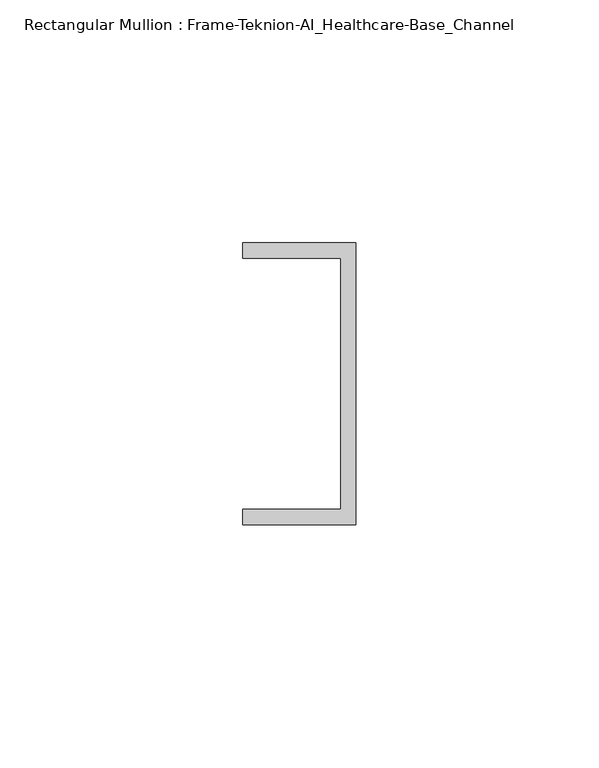
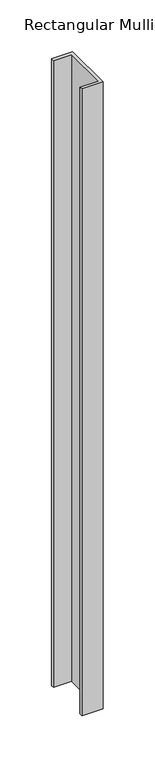
"""IFC4 building model written with IfcOpenShell, lengths in millimetres: member geometry, Rectangular Mullion : Frame-Teknion-AI_Healthcare-Base_Channel."""

import ifcopenshell
import ifcopenshell.guid

model = None  # the IFC model being written
_history = None  # IfcOwnerHistory: only IFC2X3 demands one
_inside = {}  # id of a spatial element -> (the spatial element, [elements in it])
_under = {}  # id of a project, library or spatial element -> (it, [spatial elements below it])
_declared = {}  # id of a project -> (the project, [libraries it declares])
_typed = {}  # id of a type object -> (the type object, [elements of that type])
_made_of = {}  # id of a material, layer set ... -> (it, [elements and type objects made of it])


def new_model(schema):
    """Start an empty IFC model of exactly this schema.

    Asked for "IFC4X3", IfcOpenShell would pick the latest addendum, in which some entities
    have other attributes; the version numbers below select the first issue.
    IFC2X3 requires an IfcOwnerHistory on every rooted entity: one is made here for all.
    """
    global model, _history
    if schema == "IFC4X3":
        model = ifcopenshell.file(schema_version=(4, 3, 0, 0))
    else:
        model = ifcopenshell.file(schema=schema)
    _inside.clear()
    _under.clear()
    _declared.clear()
    _typed.clear()
    _made_of.clear()
    _history = None
    if model.schema == "IFC2X3":
        org = make("IfcOrganization", Name="unknown")
        user = make(
            "IfcPersonAndOrganization",
            ThePerson=make("IfcPerson", FamilyName="unknown"),
            TheOrganization=org,
        )
        app = make(
            "IfcApplication",
            ApplicationDeveloper=org,
            Version="unknown",
            ApplicationFullName="unknown",
            ApplicationIdentifier="unknown",
        )
        _history = make(
            "IfcOwnerHistory",
            OwningUser=user,
            OwningApplication=app,
            ChangeAction="ADDED",
            CreationDate=0,
        )
    return model


def make(cls, **values):
    """One entity of the class cls with the attributes given. An attribute that is None is left unset."""
    return model.create_entity(
        cls, **{name: value for name, value in values.items() if value is not None}
    )


def rooted(cls, **values):
    """An entity with a GlobalId (a new one), such as an element, a storey or a relation."""
    return make(cls, GlobalId=ifcopenshell.guid.new(), OwnerHistory=_history, **values)


def si_unit(unit_type, name, prefix=None):
    """IfcSIUnit, for example si_unit("LENGTHUNIT", "METRE", prefix="MILLI")."""
    return make("IfcSIUnit", UnitType=unit_type, Prefix=prefix, Name=name)


def assignment(units):
    """IfcUnitAssignment: the units of a project."""
    return None if units is None else make("IfcUnitAssignment", Units=units)


def point(xyz):
    """IfcCartesianPoint."""
    return None if xyz is None else make("IfcCartesianPoint", Coordinates=xyz)


def direction(xyz):
    """IfcDirection."""
    return None if xyz is None else make("IfcDirection", DirectionRatios=xyz)


def frame(location, z_axis=None, x_axis=None):
    """IfcAxis2Placement3D, a coordinate frame: its origin and axes. An axis left out is left unset."""
    return make(
        "IfcAxis2Placement3D",
        Location=point(location),
        Axis=direction(z_axis),
        RefDirection=direction(x_axis),
    )


def origin():
    """The frame at (0, 0, 0) with its axes left unset."""
    return frame((0.0, 0.0, 0.0))


def place(relative_to, where):
    """IfcLocalPlacement: puts the frame where relative to a parent placement (None: the world)."""
    return make(
        "IfcLocalPlacement", PlacementRelTo=relative_to, RelativePlacement=where
    )


def context(
    kind, dimensions, precision=None, world=None, true_north=None, identifier=None
):
    """IfcGeometricRepresentationContext, for example the 3D "Model" context."""
    return make(
        "IfcGeometricRepresentationContext",
        ContextIdentifier=identifier,
        ContextType=kind,
        CoordinateSpaceDimension=dimensions,
        Precision=precision,
        WorldCoordinateSystem=world,
        TrueNorth=true_north,
    )


def project(units=None, contexts=None):
    """IfcProject with its units and contexts."""
    return rooted(
        "IfcProject",
        Name="project",
        RepresentationContexts=contexts,
        UnitsInContext=assignment(units),
    )


def spatial(cls, under=None, at=None, **own):
    """A site, building, storey or space (cls), placed at a placement, below another one or the project."""
    s = rooted(cls, ObjectPlacement=at, **own)
    if under is not None:
        _under.setdefault(under.id(), (under, []))[1].append(s)
    return s


def polyline(points):
    """IfcPolyline through the points."""
    return make("IfcPolyline", Points=[point(p) for p in points])


def outline(outer, holes=None, kind="AREA"):
    """IfcArbitraryClosedProfileDef: a profile drawn as a closed curve; with holes, ...WithVoids."""
    if holes is None:
        return make("IfcArbitraryClosedProfileDef", ProfileType=kind, OuterCurve=outer)
    return make(
        "IfcArbitraryProfileDefWithVoids",
        ProfileType=kind,
        OuterCurve=outer,
        InnerCurves=holes,
    )


def extrude(swept, where, along, depth):
    """IfcExtrudedAreaSolid: the profile swept, set in the frame where, extruded along a direction by depth."""
    return make(
        "IfcExtrudedAreaSolid",
        SweptArea=swept,
        Position=where,
        ExtrudedDirection=direction(along),
        Depth=depth,
    )


def shape(context_of_items, identifier, shape_type, items):
    """IfcShapeRepresentation: the items that make up one representation, for example the "Body"."""
    return make(
        "IfcShapeRepresentation",
        ContextOfItems=context_of_items,
        RepresentationIdentifier=identifier,
        RepresentationType=shape_type,
        Items=items,
    )


def source(mapping_origin, context_of_items, identifier, shape_type, items):
    """IfcRepresentationMap: a shape defined once, which mapped items show again and again."""
    return make(
        "IfcRepresentationMap",
        MappingOrigin=mapping_origin,
        MappedRepresentation=shape(context_of_items, identifier, shape_type, items),
    )


def transform(
    local_origin,
    x_axis=None,
    y_axis=None,
    z_axis=None,
    scale=None,
    scale2=None,
    scale3=None,
    uniform=True,
):
    """IfcCartesianTransformationOperator3D, or its non-uniform kind. x_axis, y_axis, z_axis: its Axis1, 2, 3."""
    if uniform:
        return make(
            "IfcCartesianTransformationOperator3D",
            Axis1=direction(x_axis),
            Axis2=direction(y_axis),
            LocalOrigin=point(local_origin),
            Scale=scale,
            Axis3=direction(z_axis),
        )
    return make(
        "IfcCartesianTransformationOperator3DnonUniform",
        Axis1=direction(x_axis),
        Axis2=direction(y_axis),
        LocalOrigin=point(local_origin),
        Scale=scale,
        Axis3=direction(z_axis),
        Scale2=scale2,
        Scale3=scale3,
    )


def mapped(mapping_source, mapping_target):
    """IfcMappedItem: shows the shape of a source again, moved by a transform."""
    return make(
        "IfcMappedItem", MappingSource=mapping_source, MappingTarget=mapping_target
    )


def made_of(thing, what):
    """Note that an element or type object is made of a material, layer set ...; save() writes the relation."""
    if what is not None:
        _made_of.setdefault(what.id(), (what, []))[1].append(thing)
    return thing


def element(
    cls,
    number,
    at=None,
    inside=None,
    cuts=None,
    type_object=None,
    material=None,
    context=None,
    identifier="Body",
    shape_type=None,
    held_by="IfcProductDefinitionShape",
    body=None,
    shapes=None,
    **own,
):
    """One element of the class cls, such as IfcWall. Its Tag is "e" and its number.

    at: its placement. inside: the storey or other place that contains it. cuts: it is an
    opening in that element (IfcRelVoidsElement). A single representation is given by context,
    identifier, shape_type and body (its items); several are given by shapes. held_by: the class
    of the entity that holds the representations. save() writes the other relations.
    """
    e = rooted(cls, Tag="e%d" % number, ObjectPlacement=at, **own)
    if body is not None:
        shapes = [shape(context, identifier, shape_type, body)]
    if shapes is not None:
        e.Representation = make(held_by, Representations=shapes)
    if inside is not None:
        _inside.setdefault(inside.id(), (inside, []))[1].append(e)
    if cuts is not None:
        rooted(
            "IfcRelVoidsElement", RelatingBuildingElement=cuts, RelatedOpeningElement=e
        )
    if type_object is not None:
        _typed.setdefault(type_object.id(), (type_object, []))[1].append(e)
    return made_of(e, material)


def aggregate(whole, parts):
    """IfcRelAggregates: a whole, such as a stair, and the parts it consists of."""
    return rooted("IfcRelAggregates", RelatingObject=whole, RelatedObjects=parts)


def save(model, path):
    """Write the relations noted so far, then the file.

    IfcRelAggregates (storeys below a building ...), IfcRelContainedInSpatialStructure (elements
    in a storey), IfcRelDefinesByType, IfcRelAssociatesMaterial and IfcRelDeclares: one each for
    every whole, place, type object, material and project.
    """
    for whole, parts in _under.values():
        aggregate(whole, parts)
    for where, things in _inside.values():
        rooted(
            "IfcRelContainedInSpatialStructure",
            RelatedElements=things,
            RelatingStructure=where,
        )
    for kind, things in _typed.values():
        rooted("IfcRelDefinesByType", RelatedObjects=things, RelatingType=kind)
    for what, things in _made_of.values():
        rooted("IfcRelAssociatesMaterial", RelatedObjects=things, RelatingMaterial=what)
    for by, libraries in _declared.values():
        rooted("IfcRelDeclares", RelatingContext=by, RelatedDefinitions=libraries)
    model.write(path)


def rectangular_mullion_frame_teknion_ai_healthcare_base_channel_80926a72(model_context):
    return source(origin(), model_context, "Body", "SweptSolid", [
        extrude(outline(polyline([(0.0, -29.0214844), (-23.3164063, -29.0214844), (-23.3164063, -25.8464844), (-3.175, -25.8464844), (-3.175, 25.8464844), (-23.3164063, 25.8464844), (-23.3164063, 29.0214844), (0.0, 29.0214844), (0.0, -29.0214844)])), frame((0.0, 0.0, -736.6), z_axis=(0.0, 0.0, 1.0), x_axis=(1.0, 0.0, 0.0)), (0.0, 0.0, 1.0), 736.6),
    ])


if __name__ == "__main__":
    model = new_model("IFC4")
    model_context = context("Model", 3, world=origin())
    ifc_project = project(units=[si_unit("LENGTHUNIT", "METRE", prefix="MILLI")], contexts=[model_context])
    site = spatial("IfcSite", under=ifc_project)
    building = spatial("IfcBuilding", under=site)
    placement = place(None, origin())
    rectangular_mullion_frame_teknion_ai_healthcare_base_channel_shape = rectangular_mullion_frame_teknion_ai_healthcare_base_channel_80926a72(model_context)
    element("IfcMember", 1, ObjectType="Rectangular Mullion : Frame-Teknion-AI_Healthcare-Base_Channel", at=placement, inside=building, context=model_context, shape_type="MappedRepresentation", body=[
        mapped(rectangular_mullion_frame_teknion_ai_healthcare_base_channel_shape, transform((0.0, 0.0, 0.0), x_axis=(1.0, 0.0, 0.0), y_axis=(0.0, 1.0, 0.0), z_axis=(0.0, 0.0, 1.0))),
    ])
    save(model, "model.ifc")
